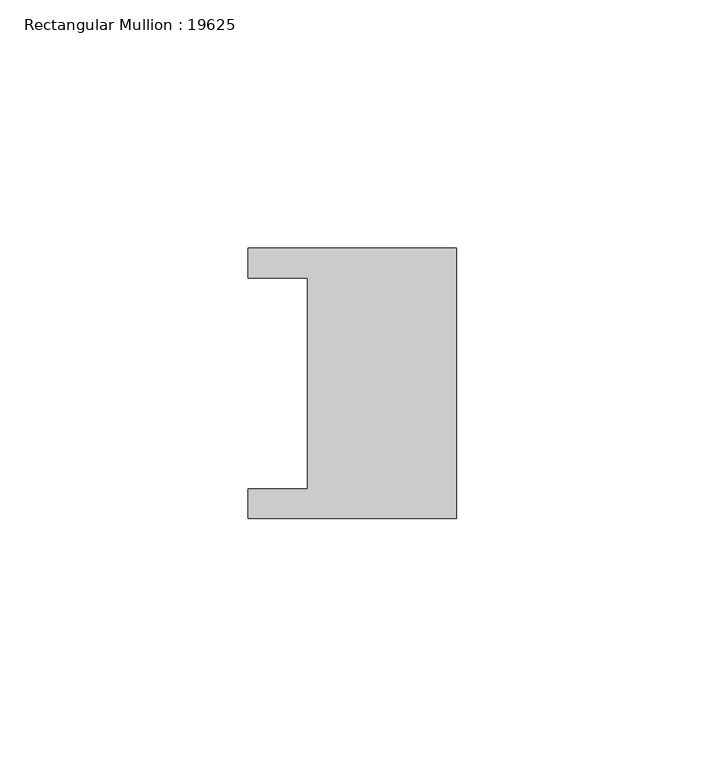
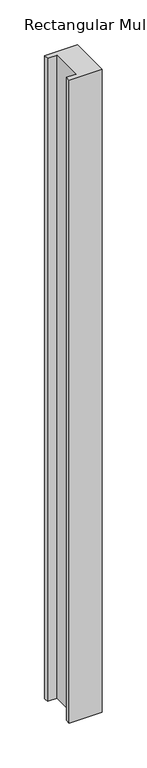
"""IFC4 building model written with IfcOpenShell, lengths in millimetres: member geometry, Rectangular Mullion : 19625."""

from ifc_helpers import new_model, si_unit, frame, origin, place, context, project, spatial, polyline, outline, extrude, source, transform, mapped, element, save


def rectangular_mullion_19625_70b72cd7(model_context):
    return source(origin(), model_context, "Body", "SweptSolid", [
        extrude(outline(polyline([(0.0, 27.25), (0.0, -27.25), (-42.0, -27.25), (-42.0, -21.25), (-30.0, -21.25), (-30.0, 21.25), (-42.0, 21.25), (-42.0, 27.25), (0.0, 27.25)])), frame((0.0, 0.0, -872.75), z_axis=(0.0, 0.0, 1.0), x_axis=(1.0, 0.0, 0.0)), (0.0, 0.0, 1.0), 872.75),
    ])


if __name__ == "__main__":
    model = new_model("IFC4")
    model_context = context("Model", 3, world=origin())
    ifc_project = project(units=[si_unit("LENGTHUNIT", "METRE", prefix="MILLI")], contexts=[model_context])
    site = spatial("IfcSite", under=ifc_project)
    building = spatial("IfcBuilding", under=site)
    placement = place(None, origin())
    rectangular_mullion_19625_shape = rectangular_mullion_19625_70b72cd7(model_context)
    element("IfcMember", 1, ObjectType="Rectangular Mullion : 19625", at=placement, inside=building, context=model_context, shape_type="MappedRepresentation", body=[
        mapped(rectangular_mullion_19625_shape, transform((0.0, 0.0, 0.0), x_axis=(1.0, 0.0, 0.0), y_axis=(0.0, 1.0, 0.0), z_axis=(0.0, 0.0, 1.0))),
    ])
    save(model, "model.ifc")
